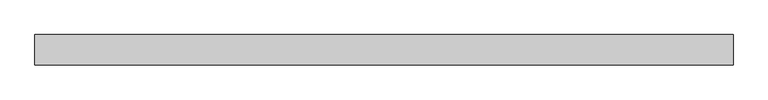
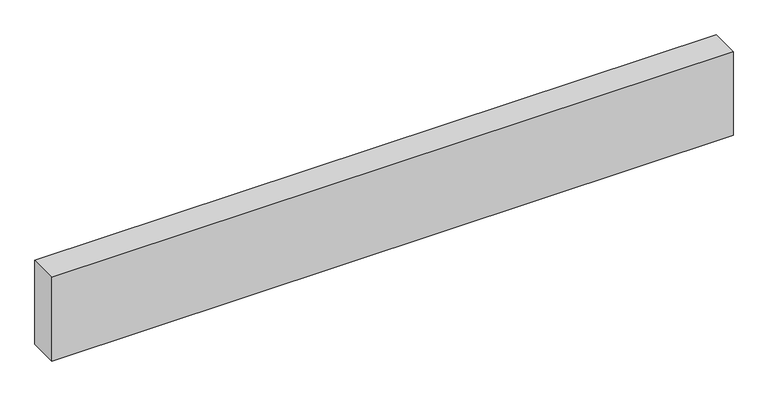
"""IFC4 building model written with IfcOpenShell, lengths in millimetres: proxy geometry."""

import ifcopenshell
import ifcopenshell.guid

model = None  # the IFC model being written
_history = None  # IfcOwnerHistory: only IFC2X3 demands one
_inside = {}  # id of a spatial element -> (the spatial element, [elements in it])
_under = {}  # id of a project, library or spatial element -> (it, [spatial elements below it])
_declared = {}  # id of a project -> (the project, [libraries it declares])
_typed = {}  # id of a type object -> (the type object, [elements of that type])
_made_of = {}  # id of a material, layer set ... -> (it, [elements and type objects made of it])


def new_model(schema):
    """Start an empty IFC model of exactly this schema.

    Asked for "IFC4X3", IfcOpenShell would pick the latest addendum, in which some entities
    have other attributes; the version numbers below select the first issue.
    IFC2X3 requires an IfcOwnerHistory on every rooted entity: one is made here for all.
    """
    global model, _history
    if schema == "IFC4X3":
        model = ifcopenshell.file(schema_version=(4, 3, 0, 0))
    else:
        model = ifcopenshell.file(schema=schema)
    _inside.clear()
    _under.clear()
    _declared.clear()
    _typed.clear()
    _made_of.clear()
    _history = None
    if model.schema == "IFC2X3":
        org = make("IfcOrganization", Name="unknown")
        user = make(
            "IfcPersonAndOrganization",
            ThePerson=make("IfcPerson", FamilyName="unknown"),
            TheOrganization=org,
        )
        app = make(
            "IfcApplication",
            ApplicationDeveloper=org,
            Version="unknown",
            ApplicationFullName="unknown",
            ApplicationIdentifier="unknown",
        )
        _history = make(
            "IfcOwnerHistory",
            OwningUser=user,
            OwningApplication=app,
            ChangeAction="ADDED",
            CreationDate=0,
        )
    return model


def make(cls, **values):
    """One entity of the class cls with the attributes given. An attribute that is None is left unset."""
    return model.create_entity(
        cls, **{name: value for name, value in values.items() if value is not None}
    )


def rooted(cls, **values):
    """An entity with a GlobalId (a new one), such as an element, a storey or a relation."""
    return make(cls, GlobalId=ifcopenshell.guid.new(), OwnerHistory=_history, **values)


def si_unit(unit_type, name, prefix=None):
    """IfcSIUnit, for example si_unit("LENGTHUNIT", "METRE", prefix="MILLI")."""
    return make("IfcSIUnit", UnitType=unit_type, Prefix=prefix, Name=name)


def assignment(units):
    """IfcUnitAssignment: the units of a project."""
    return None if units is None else make("IfcUnitAssignment", Units=units)


def point(xyz):
    """IfcCartesianPoint."""
    return None if xyz is None else make("IfcCartesianPoint", Coordinates=xyz)


def direction(xyz):
    """IfcDirection."""
    return None if xyz is None else make("IfcDirection", DirectionRatios=xyz)


def frame(location, z_axis=None, x_axis=None):
    """IfcAxis2Placement3D, a coordinate frame: its origin and axes. An axis left out is left unset."""
    return make(
        "IfcAxis2Placement3D",
        Location=point(location),
        Axis=direction(z_axis),
        RefDirection=direction(x_axis),
    )


def origin():
    """The frame at (0, 0, 0) with its axes left unset."""
    return frame((0.0, 0.0, 0.0))


def origin_with_axes():
    """The frame at (0, 0, 0) with the z axis (0, 0, 1) and the x axis (1, 0, 0) written out."""
    return frame((0.0, 0.0, 0.0), z_axis=(0.0, 0.0, 1.0), x_axis=(1.0, 0.0, 0.0))


def place(relative_to, where):
    """IfcLocalPlacement: puts the frame where relative to a parent placement (None: the world)."""
    return make(
        "IfcLocalPlacement", PlacementRelTo=relative_to, RelativePlacement=where
    )


def context(
    kind, dimensions, precision=None, world=None, true_north=None, identifier=None
):
    """IfcGeometricRepresentationContext, for example the 3D "Model" context."""
    return make(
        "IfcGeometricRepresentationContext",
        ContextIdentifier=identifier,
        ContextType=kind,
        CoordinateSpaceDimension=dimensions,
        Precision=precision,
        WorldCoordinateSystem=world,
        TrueNorth=true_north,
    )


def project(units=None, contexts=None):
    """IfcProject with its units and contexts."""
    return rooted(
        "IfcProject",
        Name="project",
        RepresentationContexts=contexts,
        UnitsInContext=assignment(units),
    )


def spatial(cls, under=None, at=None, **own):
    """A site, building, storey or space (cls), placed at a placement, below another one or the project."""
    s = rooted(cls, ObjectPlacement=at, **own)
    if under is not None:
        _under.setdefault(under.id(), (under, []))[1].append(s)
    return s


def polyline(points):
    """IfcPolyline through the points."""
    return make("IfcPolyline", Points=[point(p) for p in points])


def outline(outer, holes=None, kind="AREA"):
    """IfcArbitraryClosedProfileDef: a profile drawn as a closed curve; with holes, ...WithVoids."""
    if holes is None:
        return make("IfcArbitraryClosedProfileDef", ProfileType=kind, OuterCurve=outer)
    return make(
        "IfcArbitraryProfileDefWithVoids",
        ProfileType=kind,
        OuterCurve=outer,
        InnerCurves=holes,
    )


def extrude(swept, where, along, depth):
    """IfcExtrudedAreaSolid: the profile swept, set in the frame where, extruded along a direction by depth."""
    return make(
        "IfcExtrudedAreaSolid",
        SweptArea=swept,
        Position=where,
        ExtrudedDirection=direction(along),
        Depth=depth,
    )


def shape(context_of_items, identifier, shape_type, items):
    """IfcShapeRepresentation: the items that make up one representation, for example the "Body"."""
    return make(
        "IfcShapeRepresentation",
        ContextOfItems=context_of_items,
        RepresentationIdentifier=identifier,
        RepresentationType=shape_type,
        Items=items,
    )


def source(mapping_origin, context_of_items, identifier, shape_type, items):
    """IfcRepresentationMap: a shape defined once, which mapped items show again and again."""
    return make(
        "IfcRepresentationMap",
        MappingOrigin=mapping_origin,
        MappedRepresentation=shape(context_of_items, identifier, shape_type, items),
    )


def transform(
    local_origin,
    x_axis=None,
    y_axis=None,
    z_axis=None,
    scale=None,
    scale2=None,
    scale3=None,
    uniform=True,
):
    """IfcCartesianTransformationOperator3D, or its non-uniform kind. x_axis, y_axis, z_axis: its Axis1, 2, 3."""
    if uniform:
        return make(
            "IfcCartesianTransformationOperator3D",
            Axis1=direction(x_axis),
            Axis2=direction(y_axis),
            LocalOrigin=point(local_origin),
            Scale=scale,
            Axis3=direction(z_axis),
        )
    return make(
        "IfcCartesianTransformationOperator3DnonUniform",
        Axis1=direction(x_axis),
        Axis2=direction(y_axis),
        LocalOrigin=point(local_origin),
        Scale=scale,
        Axis3=direction(z_axis),
        Scale2=scale2,
        Scale3=scale3,
    )


def mapped(mapping_source, mapping_target):
    """IfcMappedItem: shows the shape of a source again, moved by a transform."""
    return make(
        "IfcMappedItem", MappingSource=mapping_source, MappingTarget=mapping_target
    )


def made_of(thing, what):
    """Note that an element or type object is made of a material, layer set ...; save() writes the relation."""
    if what is not None:
        _made_of.setdefault(what.id(), (what, []))[1].append(thing)
    return thing


def element(
    cls,
    number,
    at=None,
    inside=None,
    cuts=None,
    type_object=None,
    material=None,
    context=None,
    identifier="Body",
    shape_type=None,
    held_by="IfcProductDefinitionShape",
    body=None,
    shapes=None,
    **own,
):
    """One element of the class cls, such as IfcWall. Its Tag is "e" and its number.

    at: its placement. inside: the storey or other place that contains it. cuts: it is an
    opening in that element (IfcRelVoidsElement). A single representation is given by context,
    identifier, shape_type and body (its items); several are given by shapes. held_by: the class
    of the entity that holds the representations. save() writes the other relations.
    """
    e = rooted(cls, Tag="e%d" % number, ObjectPlacement=at, **own)
    if body is not None:
        shapes = [shape(context, identifier, shape_type, body)]
    if shapes is not None:
        e.Representation = make(held_by, Representations=shapes)
    if inside is not None:
        _inside.setdefault(inside.id(), (inside, []))[1].append(e)
    if cuts is not None:
        rooted(
            "IfcRelVoidsElement", RelatingBuildingElement=cuts, RelatedOpeningElement=e
        )
    if type_object is not None:
        _typed.setdefault(type_object.id(), (type_object, []))[1].append(e)
    return made_of(e, material)


def aggregate(whole, parts):
    """IfcRelAggregates: a whole, such as a stair, and the parts it consists of."""
    return rooted("IfcRelAggregates", RelatingObject=whole, RelatedObjects=parts)


def save(model, path):
    """Write the relations noted so far, then the file.

    IfcRelAggregates (storeys below a building ...), IfcRelContainedInSpatialStructure (elements
    in a storey), IfcRelDefinesByType, IfcRelAssociatesMaterial and IfcRelDeclares: one each for
    every whole, place, type object, material and project.
    """
    for whole, parts in _under.values():
        aggregate(whole, parts)
    for where, things in _inside.values():
        rooted(
            "IfcRelContainedInSpatialStructure",
            RelatedElements=things,
            RelatingStructure=where,
        )
    for kind, things in _typed.values():
        rooted("IfcRelDefinesByType", RelatedObjects=things, RelatingType=kind)
    for what, things in _made_of.values():
        rooted("IfcRelAssociatesMaterial", RelatedObjects=things, RelatingMaterial=what)
    for by, libraries in _declared.values():
        rooted("IfcRelDeclares", RelatingContext=by, RelatedDefinitions=libraries)
    model.write(path)


def generic_models_bb149883(model_context):
    return source(origin(), model_context, "Body", "SweptSolid", [
        extrude(outline(polyline([(2311.22763, 0.0), (2311.22763, -100.0), (0.0, -100.0), (0.0, 0.0), (2311.22763, 0.0)])), origin_with_axes(), (0.0, 0.0, 1.0), 300.0),
    ])


if __name__ == "__main__":
    model = new_model("IFC4")
    model_context = context("Model", 3, world=origin())
    ifc_project = project(units=[si_unit("LENGTHUNIT", "METRE", prefix="MILLI")], contexts=[model_context])
    site = spatial("IfcSite", under=ifc_project)
    building = spatial("IfcBuilding", under=site)
    placement = place(None, origin())
    generic_models_shape = generic_models_bb149883(model_context)
    element("IfcBuildingElementProxy", 1, Name="Generic Models", at=placement, inside=building, context=model_context, shape_type="MappedRepresentation", body=[
        mapped(generic_models_shape, transform((0.0, 0.0, 0.0), x_axis=(1.0, 0.0, 0.0), y_axis=(0.0, 1.0, 0.0), z_axis=(0.0, 0.0, 1.0))),
    ])
    save(model, "model.ifc")
